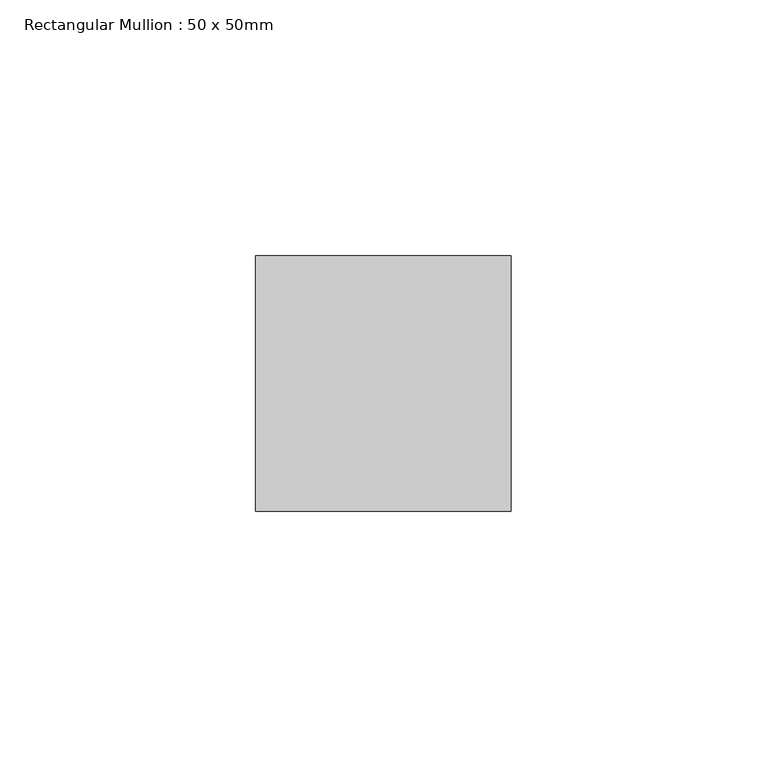
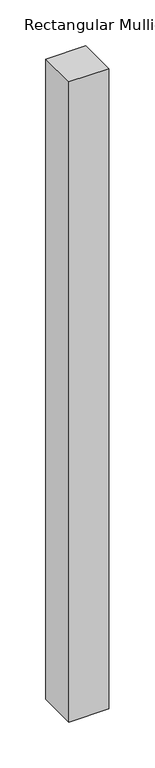
"""IFC4 building model written with IfcOpenShell, lengths in millimetres: member geometry, Rectangular Mullion : 50 x 50mm."""

from ifc_helpers import new_model, si_unit, frame, origin, place, context, project, spatial, polyline, outline, extrude, source, transform, mapped, element, save


def rectangular_mullion_50_x_50mm_7669d55a(model_context):
    return source(origin(), model_context, "Body", "SweptSolid", [
        extrude(outline(polyline([(0.0, 50.0), (0.0, 0.0), (-50.0, 0.0), (-50.0, 50.0), (0.0, 50.0)])), frame((0.0, 0.0, -850.0), z_axis=(0.0, 0.0, 1.0), x_axis=(1.0, 0.0, 0.0)), (0.0, 0.0, 1.0), 850.0),
    ])


if __name__ == "__main__":
    model = new_model("IFC4")
    model_context = context("Model", 3, world=origin())
    ifc_project = project(units=[si_unit("LENGTHUNIT", "METRE", prefix="MILLI")], contexts=[model_context])
    site = spatial("IfcSite", under=ifc_project)
    building = spatial("IfcBuilding", under=site)
    placement = place(None, origin())
    rectangular_mullion_50_x_50mm_shape = rectangular_mullion_50_x_50mm_7669d55a(model_context)
    element("IfcMember", 1, ObjectType="Rectangular Mullion : 50 x 50mm", at=placement, inside=building, context=model_context, shape_type="MappedRepresentation", body=[
        mapped(rectangular_mullion_50_x_50mm_shape, transform((0.0, 0.0, 0.0), x_axis=(1.0, 0.0, 0.0), y_axis=(0.0, 1.0, 0.0), z_axis=(0.0, 0.0, 1.0))),
    ])
    save(model, "model.ifc")
